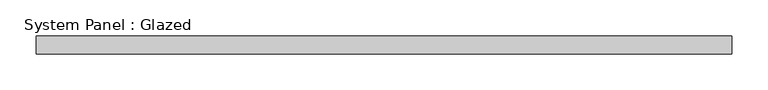
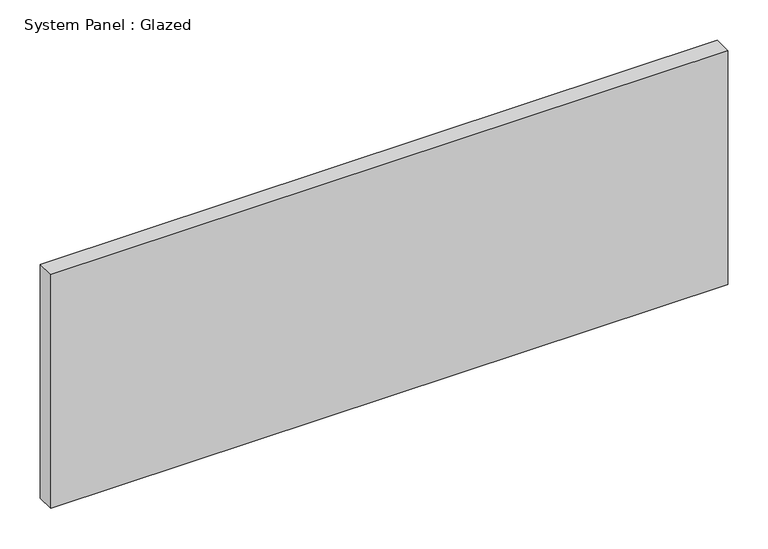
"""IFC4 building model written with IfcOpenShell, lengths in millimetres: plate geometry, System Panel : Glazed."""

from ifc_helpers import new_model, si_unit, origin, origin_with_axes, place, context, project, spatial, polyline, outline, extrude, source, transform, mapped, element, save


def system_panel_glazed_205d0193(model_context):
    return source(origin(), model_context, "Body", "SweptSolid", [
        extrude(outline(polyline([(482.6, 19.05), (-482.6, 19.05), (-482.6, 44.45), (482.6, 44.45), (482.6, 19.05)])), origin_with_axes(), (0.0, 0.0, 1.0), 352.8785714),
    ])


if __name__ == "__main__":
    model = new_model("IFC4")
    model_context = context("Model", 3, world=origin())
    ifc_project = project(units=[si_unit("LENGTHUNIT", "METRE", prefix="MILLI")], contexts=[model_context])
    site = spatial("IfcSite", under=ifc_project)
    building = spatial("IfcBuilding", under=site)
    placement = place(None, origin())
    system_panel_glazed_shape = system_panel_glazed_205d0193(model_context)
    element("IfcPlate", 1, ObjectType="System Panel : Glazed", at=placement, inside=building, context=model_context, shape_type="MappedRepresentation", body=[
        mapped(system_panel_glazed_shape, transform((0.0, 0.0, 0.0), x_axis=(1.0, 0.0, 0.0), y_axis=(0.0, 1.0, 0.0), z_axis=(0.0, 0.0, 1.0))),
    ])
    save(model, "model.ifc")
